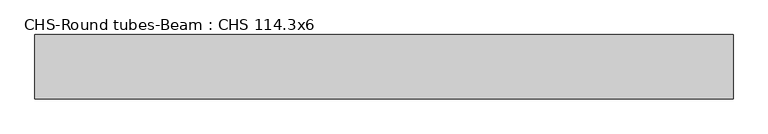
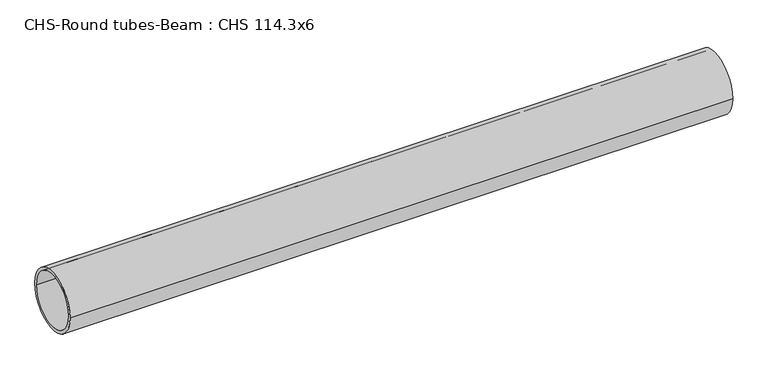
"""IFC4 building model written with IfcOpenShell, lengths in millimetres: beam geometry, CHS-Round tubes-Beam : CHS 114.3x6."""

from ifc_helpers import new_model, si_unit, point, frame, origin, origin_2d, place, context, project, spatial, circle_curve, trimmed, segment, composite_curve, outline, extrude, source, transform, mapped, element, save


def chs_round_tubes_beam_chs_114_3x6_ac1b967c(model_context):
    return source(origin(), model_context, "Body", "SweptSolid", [
        extrude(outline(composite_curve([segment(trimmed(circle_curve(origin_2d(), 57.15), [point((57.15, 0.0))], [point((-57.15, 0.0))], False, "CARTESIAN"), True, "CONTINUOUS"), segment(trimmed(circle_curve(origin_2d(), 57.15), [point((-57.15, 0.0))], [point((57.15, 0.0))], False, "CARTESIAN"), True, "CONTINUOUS")], self_intersect=False), holes=[composite_curve([segment(trimmed(circle_curve(origin_2d(), 51.15), [point((51.15, 0.0))], [point((-51.15, 0.0))], True, "CARTESIAN"), True, "CONTINUOUS"), segment(trimmed(circle_curve(origin_2d(), 51.15), [point((-51.15, 0.0))], [point((51.15, 0.0))], True, "CARTESIAN"), True, "CONTINUOUS")], self_intersect=False)]), frame((-620.7981594, 0.0, 0.0), z_axis=(1.0, 0.0, 0.0), x_axis=(0.0, 1.0, 0.0)), (0.0, 0.0, 1.0), 1241.595031),
    ])


if __name__ == "__main__":
    model = new_model("IFC4")
    model_context = context("Model", 3, world=origin())
    ifc_project = project(units=[si_unit("LENGTHUNIT", "METRE", prefix="MILLI")], contexts=[model_context])
    site = spatial("IfcSite", under=ifc_project)
    building = spatial("IfcBuilding", under=site)
    placement = place(None, origin())
    chs_round_tubes_beam_chs_114_3x6_shape = chs_round_tubes_beam_chs_114_3x6_ac1b967c(model_context)
    element("IfcBeam", 1, ObjectType="CHS-Round tubes-Beam : CHS 114.3x6", at=placement, inside=building, context=model_context, shape_type="MappedRepresentation", body=[
        mapped(chs_round_tubes_beam_chs_114_3x6_shape, transform((0.0, 0.0, 0.0), x_axis=(1.0, 0.0, 0.0), y_axis=(0.0, 1.0, 0.0), z_axis=(0.0, 0.0, 1.0))),
    ])
    save(model, "model.ifc")
